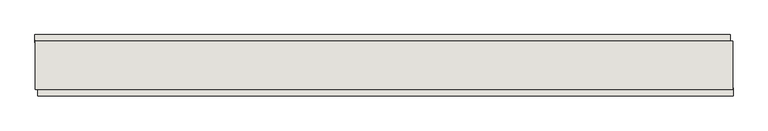
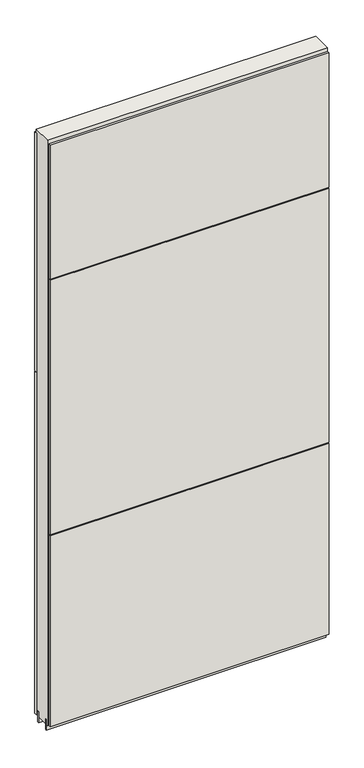
"""IFC4 building model written with IfcOpenShell, lengths in millimetres: wall geometry."""

from ifc_helpers import new_model, si_unit, frame, origin, place, context, project, spatial, polyline, outline, extrude, source, transform, mapped, element, save


def wall_3852b753(model_context):
    return source(origin(), model_context, "Body", "SweptSolid", [
        extrude(outline(polyline([(81634.3151156, -50694.9354146), (81631.7751156, -50694.9354146), (81631.7751156, -50692.3954146), (81634.3151156, -50692.3954146), (81634.3151156, -50694.9354146)])), frame((0.0, 0.0, 4419.6), z_axis=(0.0, 0.0, 1.0), x_axis=(1.0, 0.0, 0.0)), (0.0, 0.0, 1.0), 2.54),
        extrude(outline(polyline([(80474.4566276, -50642.7692756), (81629.8564504, -50642.7692756), (81629.8564504, -50655.4692756), (80474.4566276, -50655.4692756), (80474.4566276, -50642.7692756)])), frame((0.0, 0.0, 5945.6000722), z_axis=(0.0, 0.0, 1.0), x_axis=(1.0, 0.0, 0.0)), (0.0, 0.0, 1.0), 1044.449905),
        extrude(outline(polyline([(80474.4566276, -50642.7692756), (81629.8564504, -50642.7692756), (81629.8564504, -50655.4692756), (80474.4566276, -50655.4692756), (80474.4566276, -50642.7692756)])), frame((0.0, 0.0, 4445.0), z_axis=(0.0, 0.0, 1.0), x_axis=(1.0, 0.0, 0.0)), (0.0, 0.0, 1.0), 1496.600004),
        extrude(outline(polyline([(81634.773992, -50744.3692756), (80479.3741692, -50744.3692756), (80479.3741692, -50731.6692756), (81634.773992, -50731.6692756), (81634.773992, -50744.3692756)])), frame((0.0, 0.0, 6402.8000722), z_axis=(0.0, 0.0, 1.0), x_axis=(1.0, 0.0, 0.0)), (0.0, 0.0, 1.0), 587.2498034),
        extrude(outline(polyline([(81634.773992, -50744.3692756), (80479.3741692, -50744.3692756), (80479.3741692, -50731.6692756), (81634.773992, -50731.6692756), (81634.773992, -50744.3692756)])), frame((0.0, 0.0, 5285.2000722), z_axis=(0.0, 0.0, 1.0), x_axis=(1.0, 0.0, 0.0)), (0.0, 0.0, 1.0), 1113.5999572),
        extrude(outline(polyline([(81634.773992, -50744.3692756), (80479.3741692, -50744.3692756), (80479.3741692, -50731.6692756), (81634.773992, -50731.6692756), (81634.773992, -50744.3692756)])), frame((0.0, 0.0, 4445.0), z_axis=(0.0, 0.0, 1.0), x_axis=(1.0, 0.0, 0.0)), (0.0, 0.0, 1.0), 836.200004),
        extrude(outline(polyline([(81634.303965, -50668.58167), (80474.920457, -50668.3770222), (80474.920457, -50663.3230826), (81634.303965, -50663.4998158), (81634.303965, -50668.58167)])), frame((0.0, 0.0, 4418.6602), z_axis=(0.0, 0.0, 1.0), x_axis=(1.0, 0.0, 0.0)), (0.0, 0.0, 1.0), 47.625),
        extrude(outline(polyline([(81634.303965, -50668.58167), (80474.920457, -50668.3770222), (80474.920457, -50663.3230826), (81634.303965, -50663.4998158), (81634.303965, -50668.58167)])), frame((0.0, 0.0, 4418.6602), z_axis=(0.0, 0.0, 1.0), x_axis=(1.0, 0.0, 0.0)), (0.0, 0.0, 1.0), 47.625),
        extrude(outline(polyline([(80474.8956666, -50718.5414126), (81634.303965, -50718.746035), (81634.303965, -50723.8248158), (80474.8956666, -50723.6232668), (80474.8956666, -50718.5414126)])), frame((0.0, 0.0, 4418.6602), z_axis=(0.0, 0.0, 1.0), x_axis=(1.0, 0.0, 0.0)), (0.0, 0.0, 1.0), 47.625),
        extrude(outline(polyline([(80474.8956666, -50718.5414126), (81634.303965, -50718.746035), (81634.303965, -50723.8248158), (80474.8956666, -50723.6232668), (80474.8956666, -50718.5414126)])), frame((0.0, 0.0, 4418.6602), z_axis=(0.0, 0.0, 1.0), x_axis=(1.0, 0.0, 0.0)), (0.0, 0.0, 1.0), 47.625),
        extrude(outline(polyline([(81634.303965, -50653.0353206), (81634.303965, -50734.314076), (80474.8956666, -50734.1125524), (80474.920457, -50652.833797), (81634.303965, -50653.0353206)])), frame((0.0, 0.0, 4445.0), z_axis=(0.0, 0.0, 1.0), x_axis=(1.0, 0.0, 0.0)), (0.0, 0.0, 1.0), 2562.4536762),
    ])


if __name__ == "__main__":
    model = new_model("IFC4")
    model_context = context("Model", 3, world=origin())
    ifc_project = project(units=[si_unit("LENGTHUNIT", "METRE", prefix="MILLI")], contexts=[model_context])
    site = spatial("IfcSite", under=ifc_project)
    building = spatial("IfcBuilding", under=site)
    placement = place(None, origin())
    wall_shape = wall_3852b753(model_context)
    element("IfcWall", 1, at=placement, inside=building, context=model_context, shape_type="MappedRepresentation", body=[
        mapped(wall_shape, transform((0.0, 0.0, 0.0), x_axis=(1.0, 0.0, 0.0), y_axis=(0.0, 1.0, 0.0), z_axis=(0.0, 0.0, 1.0))),
    ])
    save(model, "model.ifc")
